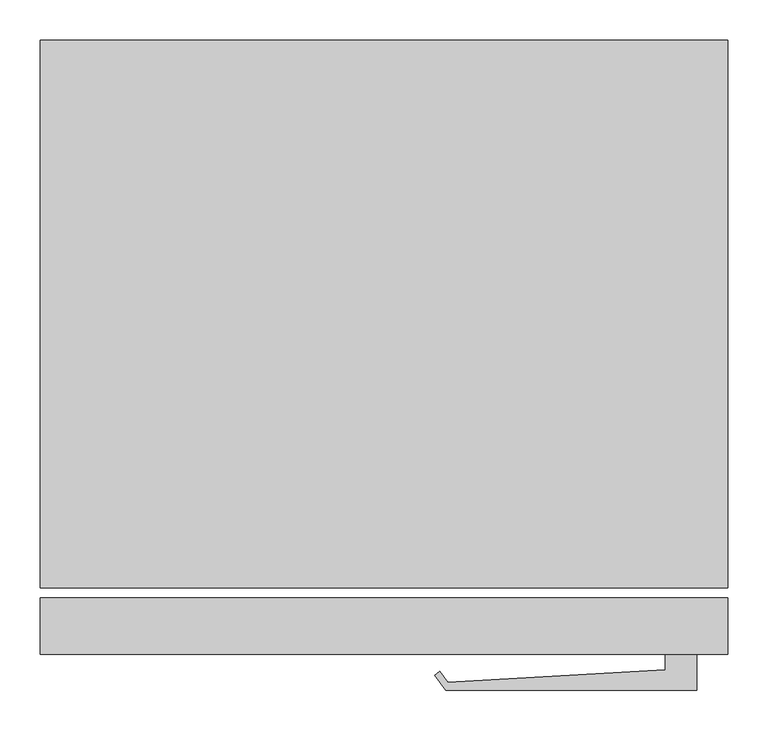
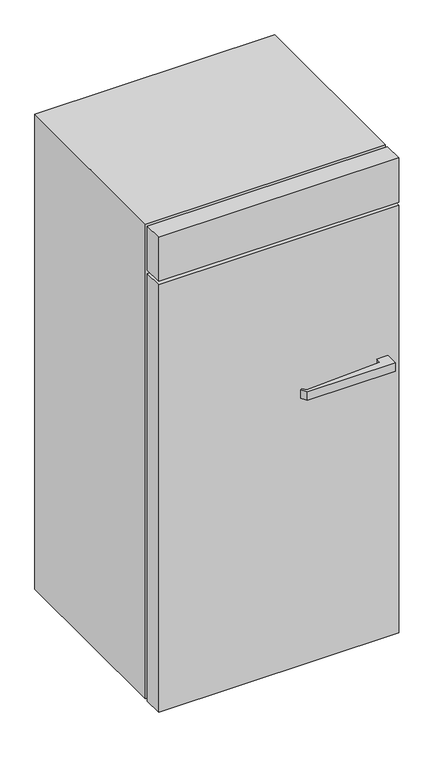
"""IFC4 building model written with IfcOpenShell, lengths in millimetres: proxy geometry."""

import ifcopenshell
import ifcopenshell.guid

model = None  # the IFC model being written
_history = None  # IfcOwnerHistory: only IFC2X3 demands one
_inside = {}  # id of a spatial element -> (the spatial element, [elements in it])
_under = {}  # id of a project, library or spatial element -> (it, [spatial elements below it])
_declared = {}  # id of a project -> (the project, [libraries it declares])
_typed = {}  # id of a type object -> (the type object, [elements of that type])
_made_of = {}  # id of a material, layer set ... -> (it, [elements and type objects made of it])


def new_model(schema):
    """Start an empty IFC model of exactly this schema.

    Asked for "IFC4X3", IfcOpenShell would pick the latest addendum, in which some entities
    have other attributes; the version numbers below select the first issue.
    IFC2X3 requires an IfcOwnerHistory on every rooted entity: one is made here for all.
    """
    global model, _history
    if schema == "IFC4X3":
        model = ifcopenshell.file(schema_version=(4, 3, 0, 0))
    else:
        model = ifcopenshell.file(schema=schema)
    _inside.clear()
    _under.clear()
    _declared.clear()
    _typed.clear()
    _made_of.clear()
    _history = None
    if model.schema == "IFC2X3":
        org = make("IfcOrganization", Name="unknown")
        user = make(
            "IfcPersonAndOrganization",
            ThePerson=make("IfcPerson", FamilyName="unknown"),
            TheOrganization=org,
        )
        app = make(
            "IfcApplication",
            ApplicationDeveloper=org,
            Version="unknown",
            ApplicationFullName="unknown",
            ApplicationIdentifier="unknown",
        )
        _history = make(
            "IfcOwnerHistory",
            OwningUser=user,
            OwningApplication=app,
            ChangeAction="ADDED",
            CreationDate=0,
        )
    return model


def make(cls, **values):
    """One entity of the class cls with the attributes given. An attribute that is None is left unset."""
    return model.create_entity(
        cls, **{name: value for name, value in values.items() if value is not None}
    )


def rooted(cls, **values):
    """An entity with a GlobalId (a new one), such as an element, a storey or a relation."""
    return make(cls, GlobalId=ifcopenshell.guid.new(), OwnerHistory=_history, **values)


def si_unit(unit_type, name, prefix=None):
    """IfcSIUnit, for example si_unit("LENGTHUNIT", "METRE", prefix="MILLI")."""
    return make("IfcSIUnit", UnitType=unit_type, Prefix=prefix, Name=name)


def assignment(units):
    """IfcUnitAssignment: the units of a project."""
    return None if units is None else make("IfcUnitAssignment", Units=units)


def point(xyz):
    """IfcCartesianPoint."""
    return None if xyz is None else make("IfcCartesianPoint", Coordinates=xyz)


def direction(xyz):
    """IfcDirection."""
    return None if xyz is None else make("IfcDirection", DirectionRatios=xyz)


def frame(location, z_axis=None, x_axis=None):
    """IfcAxis2Placement3D, a coordinate frame: its origin and axes. An axis left out is left unset."""
    return make(
        "IfcAxis2Placement3D",
        Location=point(location),
        Axis=direction(z_axis),
        RefDirection=direction(x_axis),
    )


def frame_2d(location, x_axis=None):
    """IfcAxis2Placement2D, a coordinate frame in the plane: its origin and x axis."""
    return make(
        "IfcAxis2Placement2D", Location=point(location), RefDirection=direction(x_axis)
    )


def origin():
    """The frame at (0, 0, 0) with its axes left unset."""
    return frame((0.0, 0.0, 0.0))


def origin_with_axes():
    """The frame at (0, 0, 0) with the z axis (0, 0, 1) and the x axis (1, 0, 0) written out."""
    return frame((0.0, 0.0, 0.0), z_axis=(0.0, 0.0, 1.0), x_axis=(1.0, 0.0, 0.0))


def place(relative_to, where):
    """IfcLocalPlacement: puts the frame where relative to a parent placement (None: the world)."""
    return make(
        "IfcLocalPlacement", PlacementRelTo=relative_to, RelativePlacement=where
    )


def context(
    kind, dimensions, precision=None, world=None, true_north=None, identifier=None
):
    """IfcGeometricRepresentationContext, for example the 3D "Model" context."""
    return make(
        "IfcGeometricRepresentationContext",
        ContextIdentifier=identifier,
        ContextType=kind,
        CoordinateSpaceDimension=dimensions,
        Precision=precision,
        WorldCoordinateSystem=world,
        TrueNorth=true_north,
    )


def project(units=None, contexts=None):
    """IfcProject with its units and contexts."""
    return rooted(
        "IfcProject",
        Name="project",
        RepresentationContexts=contexts,
        UnitsInContext=assignment(units),
    )


def spatial(cls, under=None, at=None, **own):
    """A site, building, storey or space (cls), placed at a placement, below another one or the project."""
    s = rooted(cls, ObjectPlacement=at, **own)
    if under is not None:
        _under.setdefault(under.id(), (under, []))[1].append(s)
    return s


def polyline(points):
    """IfcPolyline through the points."""
    return make("IfcPolyline", Points=[point(p) for p in points])


def circle_curve(where, radius):
    """IfcCircle in the frame where."""
    return make("IfcCircle", Position=where, Radius=radius)


def trimmed(basis, trim1, trim2, sense, master):
    """IfcTrimmedCurve: the piece of a basis curve between two trims."""
    return make(
        "IfcTrimmedCurve",
        BasisCurve=basis,
        Trim1=trim1,
        Trim2=trim2,
        SenseAgreement=sense,
        MasterRepresentation=master,
    )


def segment(curve, same_sense, transition):
    """IfcCompositeCurveSegment."""
    return make(
        "IfcCompositeCurveSegment",
        Transition=transition,
        SameSense=same_sense,
        ParentCurve=curve,
    )


def composite_curve(segments, self_intersect=None):
    """IfcCompositeCurve: segments joined end to end."""
    return make("IfcCompositeCurve", Segments=segments, SelfIntersect=self_intersect)


def outline(outer, holes=None, kind="AREA"):
    """IfcArbitraryClosedProfileDef: a profile drawn as a closed curve; with holes, ...WithVoids."""
    if holes is None:
        return make("IfcArbitraryClosedProfileDef", ProfileType=kind, OuterCurve=outer)
    return make(
        "IfcArbitraryProfileDefWithVoids",
        ProfileType=kind,
        OuterCurve=outer,
        InnerCurves=holes,
    )


def extrude(swept, where, along, depth):
    """IfcExtrudedAreaSolid: the profile swept, set in the frame where, extruded along a direction by depth."""
    return make(
        "IfcExtrudedAreaSolid",
        SweptArea=swept,
        Position=where,
        ExtrudedDirection=direction(along),
        Depth=depth,
    )


def shape(context_of_items, identifier, shape_type, items):
    """IfcShapeRepresentation: the items that make up one representation, for example the "Body"."""
    return make(
        "IfcShapeRepresentation",
        ContextOfItems=context_of_items,
        RepresentationIdentifier=identifier,
        RepresentationType=shape_type,
        Items=items,
    )


def source(mapping_origin, context_of_items, identifier, shape_type, items):
    """IfcRepresentationMap: a shape defined once, which mapped items show again and again."""
    return make(
        "IfcRepresentationMap",
        MappingOrigin=mapping_origin,
        MappedRepresentation=shape(context_of_items, identifier, shape_type, items),
    )


def transform(
    local_origin,
    x_axis=None,
    y_axis=None,
    z_axis=None,
    scale=None,
    scale2=None,
    scale3=None,
    uniform=True,
):
    """IfcCartesianTransformationOperator3D, or its non-uniform kind. x_axis, y_axis, z_axis: its Axis1, 2, 3."""
    if uniform:
        return make(
            "IfcCartesianTransformationOperator3D",
            Axis1=direction(x_axis),
            Axis2=direction(y_axis),
            LocalOrigin=point(local_origin),
            Scale=scale,
            Axis3=direction(z_axis),
        )
    return make(
        "IfcCartesianTransformationOperator3DnonUniform",
        Axis1=direction(x_axis),
        Axis2=direction(y_axis),
        LocalOrigin=point(local_origin),
        Scale=scale,
        Axis3=direction(z_axis),
        Scale2=scale2,
        Scale3=scale3,
    )


def mapped(mapping_source, mapping_target):
    """IfcMappedItem: shows the shape of a source again, moved by a transform."""
    return make(
        "IfcMappedItem", MappingSource=mapping_source, MappingTarget=mapping_target
    )


def made_of(thing, what):
    """Note that an element or type object is made of a material, layer set ...; save() writes the relation."""
    if what is not None:
        _made_of.setdefault(what.id(), (what, []))[1].append(thing)
    return thing


def element(
    cls,
    number,
    at=None,
    inside=None,
    cuts=None,
    type_object=None,
    material=None,
    context=None,
    identifier="Body",
    shape_type=None,
    held_by="IfcProductDefinitionShape",
    body=None,
    shapes=None,
    **own,
):
    """One element of the class cls, such as IfcWall. Its Tag is "e" and its number.

    at: its placement. inside: the storey or other place that contains it. cuts: it is an
    opening in that element (IfcRelVoidsElement). A single representation is given by context,
    identifier, shape_type and body (its items); several are given by shapes. held_by: the class
    of the entity that holds the representations. save() writes the other relations.
    """
    e = rooted(cls, Tag="e%d" % number, ObjectPlacement=at, **own)
    if body is not None:
        shapes = [shape(context, identifier, shape_type, body)]
    if shapes is not None:
        e.Representation = make(held_by, Representations=shapes)
    if inside is not None:
        _inside.setdefault(inside.id(), (inside, []))[1].append(e)
    if cuts is not None:
        rooted(
            "IfcRelVoidsElement", RelatingBuildingElement=cuts, RelatedOpeningElement=e
        )
    if type_object is not None:
        _typed.setdefault(type_object.id(), (type_object, []))[1].append(e)
    return made_of(e, material)


def aggregate(whole, parts):
    """IfcRelAggregates: a whole, such as a stair, and the parts it consists of."""
    return rooted("IfcRelAggregates", RelatingObject=whole, RelatedObjects=parts)


def save(model, path):
    """Write the relations noted so far, then the file.

    IfcRelAggregates (storeys below a building ...), IfcRelContainedInSpatialStructure (elements
    in a storey), IfcRelDefinesByType, IfcRelAssociatesMaterial and IfcRelDeclares: one each for
    every whole, place, type object, material and project.
    """
    for whole, parts in _under.values():
        aggregate(whole, parts)
    for where, things in _inside.values():
        rooted(
            "IfcRelContainedInSpatialStructure",
            RelatedElements=things,
            RelatingStructure=where,
        )
    for kind, things in _typed.values():
        rooted("IfcRelDefinesByType", RelatedObjects=things, RelatingType=kind)
    for what, things in _made_of.values():
        rooted("IfcRelAssociatesMaterial", RelatedObjects=things, RelatingMaterial=what)
    for by, libraries in _declared.values():
        rooted("IfcRelDeclares", RelatingContext=by, RelatedDefinitions=libraries)
    model.write(path)


def specialty_equipment_174fd30e(model_context):
    return source(origin(), model_context, "Body", "SweptSolid", [
        extrude(outline(polyline([(333.0988574, -458.1036861), (22.3988574, -458.1036861), (8.7240737, -439.5368406), (15.2273026, -434.7471068), (25.1756383, -448.2543926), (293.9242419, -433.0358618), (293.9242419, -413.7849098), (333.0988574, -413.7849098), (333.0988574, -458.1036861)])), frame((0.0, 0.0, 1071.927792), z_axis=(0.0, 0.0, 1.0), x_axis=(1.0, 0.0, 0.0)), (0.0, 0.0, 1.0), 31.75),
        extrude(outline(composite_curve([segment(trimmed(circle_curve(frame_2d((-396.2511426, 270.0150902)), 25.4), [point((-421.6511426, 270.0150902))], [point((-370.8511426, 270.0150902))], False, "CARTESIAN"), True, "CONTINUOUS"), segment(trimmed(circle_curve(frame_2d((-396.2511426, 270.0150902)), 25.4), [point((-370.8511426, 270.0150902))], [point((-421.6511426, 270.0150902))], False, "CARTESIAN"), True, "CONTINUOUS")], self_intersect=False)), origin_with_axes(), (0.0, 0.0, 1.0), 50.8),
        extrude(outline(composite_curve([segment(trimmed(circle_curve(frame_2d((288.6488574, 270.0150902)), 25.4), [point((263.2488574, 270.0150902))], [point((314.0488574, 270.0150902))], False, "CARTESIAN"), True, "CONTINUOUS"), segment(trimmed(circle_curve(frame_2d((288.6488574, 270.0150902)), 25.4), [point((314.0488574, 270.0150902))], [point((263.2488574, 270.0150902))], False, "CARTESIAN"), True, "CONTINUOUS")], self_intersect=False)), origin_with_axes(), (0.0, 0.0, 1.0), 50.8),
        extrude(outline(composite_curve([segment(trimmed(circle_curve(frame_2d((-396.2511426, -286.7849098)), 25.4), [point((-421.6511426, -286.7849098))], [point((-370.8511426, -286.7849098))], False, "CARTESIAN"), True, "CONTINUOUS"), segment(trimmed(circle_curve(frame_2d((-396.2511426, -286.7849098)), 25.4), [point((-370.8511426, -286.7849098))], [point((-421.6511426, -286.7849098))], False, "CARTESIAN"), True, "CONTINUOUS")], self_intersect=False)), origin_with_axes(), (0.0, 0.0, 1.0), 50.8),
        extrude(outline(composite_curve([segment(trimmed(circle_curve(frame_2d((288.6488574, -286.7849098)), 25.4), [point((263.2488574, -286.7849098))], [point((314.0488574, -286.7849098))], False, "CARTESIAN"), True, "CONTINUOUS"), segment(trimmed(circle_curve(frame_2d((288.6488574, -286.7849098)), 25.4), [point((314.0488574, -286.7849098))], [point((263.2488574, -286.7849098))], False, "CARTESIAN"), True, "CONTINUOUS")], self_intersect=False)), origin_with_axes(), (0.0, 0.0, 1.0), 50.8),
        extrude(outline(polyline([(371.1988574, -413.7849098), (-478.8011426, -413.7849098), (-478.8011426, -343.9349098), (371.1988574, -343.9349098), (371.1988574, -413.7849098)])), frame((0.0, 0.0, 50.8), z_axis=(0.0, 0.0, 1.0), x_axis=(1.0, 0.0, 0.0)), (0.0, 0.0, 1.0), 1601.4),
        extrude(outline(polyline([(371.1988574, -413.7849098), (-478.8011426, -413.7849098), (-478.8011426, -343.9349098), (371.1988574, -343.9349098), (371.1988574, -413.7849098)])), frame((0.0, 0.0, 1664.9), z_axis=(0.0, 0.0, 1.0), x_axis=(1.0, 0.0, 0.0)), (0.0, 0.0, 1.0), 165.1),
        extrude(outline(polyline([(345.7988574, 320.8150902), (-453.4011426, 320.8150902), (-453.4011426, 346.2150902), (345.7988574, 346.2150902), (345.7988574, 320.8150902)])), frame((0.0, 0.0, 152.4), z_axis=(0.0, 0.0, 1.0), x_axis=(1.0, 0.0, 0.0)), (0.0, 0.0, 1.0), 1652.2),
        extrude(outline(polyline([(1830.0, 371.1988574), (1830.0, -478.8011426), (50.8, -478.8011426), (50.8, 371.1988574), (1830.0, 371.1988574)]), holes=[polyline([(1626.8, 345.7988574), (431.8, 345.7988574), (431.8, -453.4011426), (1626.8, -453.4011426), (1626.8, 345.7988574)])]), frame((0.0, -331.2349098, 0.0), z_axis=(0.0, 1.0, 0.0), x_axis=(0.0, 0.0, 1.0)), (0.0, 0.0, 1.0), 677.45),
    ])


if __name__ == "__main__":
    model = new_model("IFC4")
    model_context = context("Model", 3, world=origin())
    ifc_project = project(units=[si_unit("LENGTHUNIT", "METRE", prefix="MILLI")], contexts=[model_context])
    site = spatial("IfcSite", under=ifc_project)
    building = spatial("IfcBuilding", under=site)
    placement = place(None, origin())
    specialty_equipment_shape = specialty_equipment_174fd30e(model_context)
    element("IfcBuildingElementProxy", 1, Name="Specialty Equipment", at=placement, inside=building, context=model_context, shape_type="MappedRepresentation", body=[
        mapped(specialty_equipment_shape, transform((0.0, 0.0, 0.0), x_axis=(1.0, 0.0, 0.0), y_axis=(0.0, 1.0, 0.0), z_axis=(0.0, 0.0, 1.0))),
    ])
    save(model, "model.ifc")
